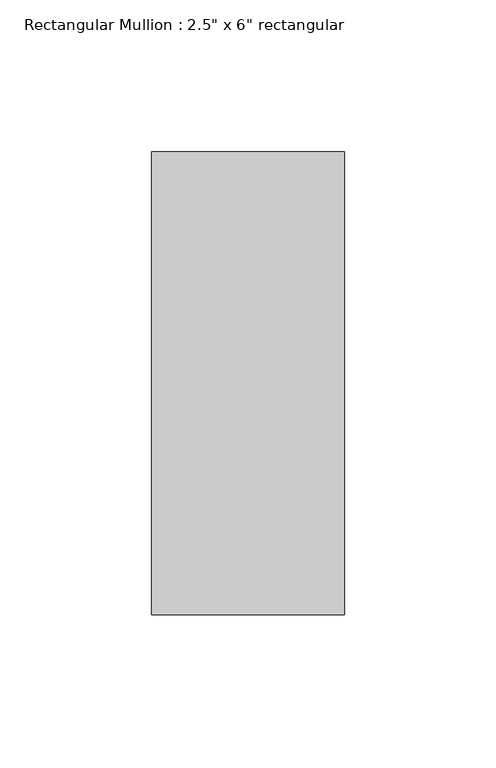
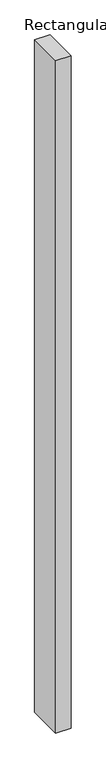
"""IFC4 building model written with IfcOpenShell, lengths in millimetres: member geometry."""

from ifc_helpers import new_model, si_unit, frame, origin, place, context, project, spatial, polyline, outline, extrude, source, transform, mapped, element, save


def member_ff89ea02(model_context):
    return source(origin(), model_context, "Body", "SweptSolid", [
        extrude(outline(polyline([(31.75, 60.325), (31.75, -92.075), (-31.75, -92.075), (-31.75, 60.325), (31.75, 60.325)])), frame((0.0, 0.0, -2971.8), z_axis=(0.0, 0.0, 1.0), x_axis=(1.0, 0.0, 0.0)), (0.0, 0.0, 1.0), 2971.8),
    ])


if __name__ == "__main__":
    model = new_model("IFC4")
    model_context = context("Model", 3, world=origin())
    ifc_project = project(units=[si_unit("LENGTHUNIT", "METRE", prefix="MILLI")], contexts=[model_context])
    site = spatial("IfcSite", under=ifc_project)
    building = spatial("IfcBuilding", under=site)
    placement = place(None, origin())
    member_shape = member_ff89ea02(model_context)
    element("IfcMember", 1, ObjectType="Rectangular Mullion : 2.5\" x 6\" rectangular", at=placement, inside=building, context=model_context, shape_type="MappedRepresentation", body=[
        mapped(member_shape, transform((0.0, 0.0, 0.0), x_axis=(1.0, 0.0, 0.0), y_axis=(0.0, 1.0, 0.0), z_axis=(0.0, 0.0, 1.0))),
    ])
    save(model, "model.ifc")
